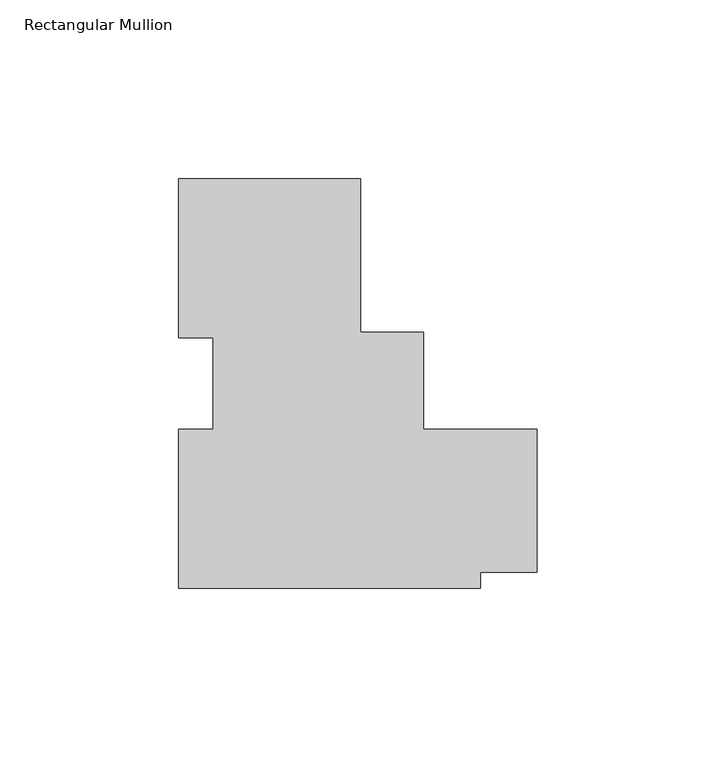
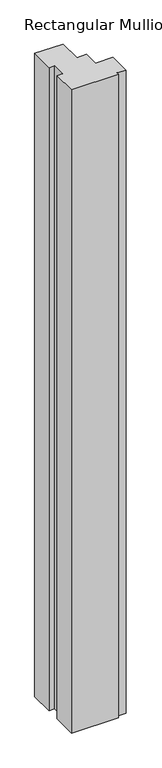
"""IFC4 building model written with IfcOpenShell, lengths in millimetres: member geometry, Rectangular Mullion."""

from ifc_helpers import new_model, si_unit, frame, origin, place, context, project, spatial, polyline, outline, extrude, source, transform, mapped, element, save


def rectangular_mullion_9f6a6dc6(model_context):
    return source(origin(), model_context, "Body", "SweptSolid", [
        extrude(outline(polyline([(23.368, 49.9272911), (23.368, 7.0647911), (40.9427311, 7.0647911), (40.9427311, -19.9302019), (72.690901, -19.9302019), (72.690901, -59.9353074), (56.8168106, -59.9353074), (56.8168106, -64.3900974), (-27.432, -64.3900974), (-27.432, -19.9628341), (-17.907, -19.9628341), (-17.907, 5.5248642), (-27.432, 5.5248642), (-27.432, 49.9272911), (23.368, 49.9272911)])), frame((0.0, 0.0, -1219.2), z_axis=(0.0, 0.0, 1.0), x_axis=(1.0, 0.0, 0.0)), (0.0, 0.0, 1.0), 1219.2),
    ])


if __name__ == "__main__":
    model = new_model("IFC4")
    model_context = context("Model", 3, world=origin())
    ifc_project = project(units=[si_unit("LENGTHUNIT", "METRE", prefix="MILLI")], contexts=[model_context])
    site = spatial("IfcSite", under=ifc_project)
    building = spatial("IfcBuilding", under=site)
    placement = place(None, origin())
    rectangular_mullion_shape = rectangular_mullion_9f6a6dc6(model_context)
    element("IfcMember", 1, ObjectType="Rectangular Mullion", at=placement, inside=building, context=model_context, shape_type="MappedRepresentation", body=[
        mapped(rectangular_mullion_shape, transform((0.0, 0.0, 0.0), x_axis=(1.0, 0.0, 0.0), y_axis=(0.0, 1.0, 0.0), z_axis=(0.0, 0.0, 1.0))),
    ])
    save(model, "model.ifc")
